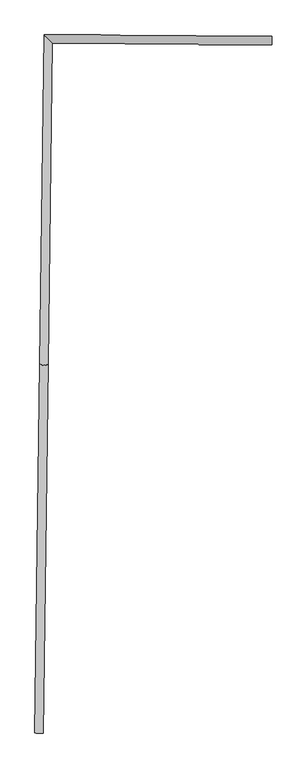
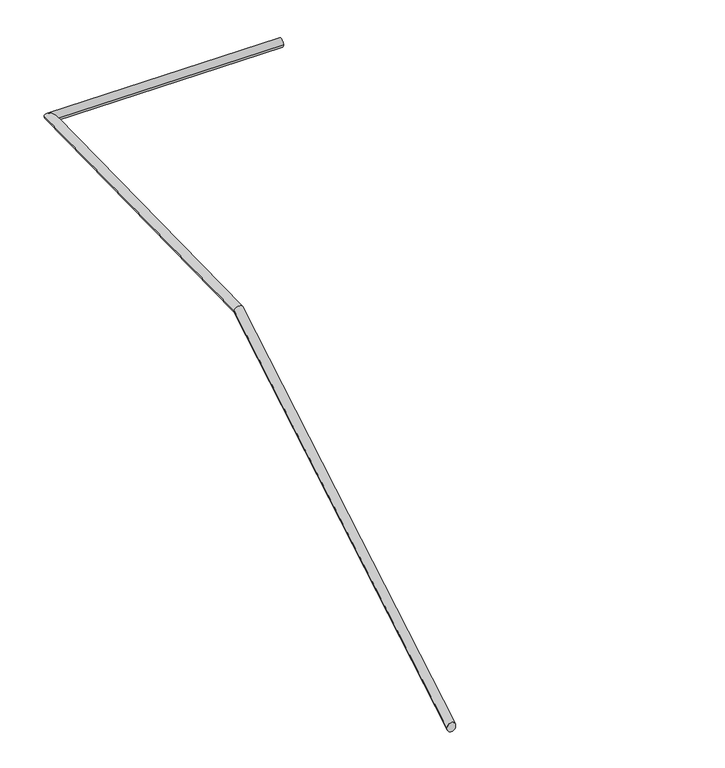
"""IFC4 building model written with IfcOpenShell, lengths in millimetres: railing geometry."""

from ifc_helpers import new_model, si_unit, frame, origin, place, context, project, spatial, circle_curve, ellipse_curve, source, transform, mapped, element, save
from ifc_brep_helpers import plane_surface, cylinder_surface, advanced_brep


def railing_92a107e3(model_context):
    return source(origin(), model_context, "Body", "AdvancedBrep", [
        advanced_brep(
        [(-2340.6816172, -38696.8547301, -5327.5735657), (-2380.6781828, -38696.330571, -5327.5735657), (-2317.5932496, -36935.0700521, -4344.0), (-2357.5898151, -36934.545893, -4344.0), (-2297.5179722, -35403.2027242, -4344.0), (-2336.9935874, -35362.9268402, -4344.0), (-1247.6814085, -35410.5139416, -4344.0), (-1247.4028493, -35370.5149115, -4344.0)],
        [
            (0, 1, ellipse_curve(frame((-2360.6799, -38696.5926506, -5327.5735657), z_axis=(-0.013103976640703662, -0.9999141392120625, 0.0), x_axis=(0.0, 0.0, -0.9999999999999999)), 22.9052469, 20.0)),
            (1, 0, ellipse_curve(frame((-2360.6799, -38696.5926506, -5327.5735657), z_axis=(-0.013103976640703662, -0.9999141392120625, 0.0), x_axis=(0.0, 0.0, -0.9999999999999999)), 22.9052469, 20.0)),
            (0, 2),
            (2, 3, ellipse_curve(frame((-2337.5915324, -36934.8079726, -4344.0), z_axis=(-0.012681651854865247, -0.9676881564987052, -0.2518309104902926), x_axis=(0.003299986368472015, 0.25180928808989206, -0.9677712501007817)), 20.6660407, 20.0)),
            (3, 1),
            (3, 2, ellipse_curve(frame((-2337.5915324, -36934.8079726, -4344.0), z_axis=(-0.012681651854865247, -0.9676881564987052, -0.2518309104902926), x_axis=(0.003299986368472015, 0.25180928808989206, -0.9677712501007817)), 20.6660407, 20.0)),
            (2, 4),
            (4, 5, ellipse_curve(frame((-2317.2557798, -35383.0647822, -4344.0), z_axis=(-0.7141663112514558, -0.6999760566430031, 0.0), x_axis=(0.6999760566430031, -0.7141663112514558, 0.0)), 28.1978325, 20.0)),
            (5, 3),
            (5, 4, ellipse_curve(frame((-2317.2557798, -35383.0647822, -4344.0), z_axis=(-0.7141663112514558, -0.6999760566430031, 0.0), x_axis=(0.6999760566430031, -0.7141663112514558, 0.0)), 28.1978325, 20.0)),
            (6, 7, circle_curve(frame((-1247.5421289, -35390.5144266, -4344.0), z_axis=(0.9999757512021473, -0.006963979300749397, 0.0), x_axis=(0.006963979300749397, 0.9999757512021473, 0.0)), 20.0)),
            (7, 6, circle_curve(frame((-1247.5421289, -35390.5144266, -4344.0), z_axis=(0.9999757512021473, -0.006963979300749397, 0.0), x_axis=(0.006963979300749397, 0.9999757512021473, 0.0)), 20.0)),
            (4, 6),
            (7, 5),
        ],
        [
            plane_surface(frame((-2360.6799, -38696.5926506, -5327.5735657), z_axis=(-0.013103976640703662, -0.9999141392120625, 0.0), x_axis=(0.9999141392120625, -0.013103976640703662, 0.0))),
            cylinder_surface(frame((-2360.6799, -38696.5926506, -5327.5735657), z_axis=(-0.011441899497147981, -0.8730874146328833, -0.4874294301184173), x_axis=(-0.9999141392120625, 0.01310397664070366, 0.0)), 20.0),
            cylinder_surface(frame((-2337.5915324, -36934.8079726, -4344.0), z_axis=(-0.013103976640703697, -0.9999141392120625, 0.0), x_axis=(-0.9999141392120625, 0.013103976640703697, 0.0)), 20.0),
            plane_surface(frame((-1247.5421289, -35390.5144266, -4344.0), z_axis=(0.9999757512021473, -0.006963979300749431, 0.0), x_axis=(0.006963979300749431, 0.9999757512021473, 0.0))),
            cylinder_surface(frame((-2317.2557798, -35383.0647822, -4344.0), z_axis=(-0.9999757512021473, 0.006963979300749397, 0.0), x_axis=(0.006963979300749397, 0.9999757512021473, 0.0)), 20.0),
        ],
        [
            (0, [[1, 2]]),
            (1, [[-1, 3, 4, 5]]),
            (1, [[-2, -5, 6, -3]]),
            (2, [[-4, 7, 8, 9]]),
            (2, [[-6, -9, 10, -7]]),
            (3, [[11, 12]]),
            (4, [[-8, 13, -12, 14]]),
            (4, [[-10, -14, -11, -13]]),
        ],
    ),
    ])


if __name__ == "__main__":
    model = new_model("IFC4")
    model_context = context("Model", 3, world=origin())
    ifc_project = project(units=[si_unit("LENGTHUNIT", "METRE", prefix="MILLI")], contexts=[model_context])
    site = spatial("IfcSite", under=ifc_project)
    building = spatial("IfcBuilding", under=site)
    placement = place(None, origin())
    railing_shape = railing_92a107e3(model_context)
    element("IfcRailing", 1, at=placement, inside=building, context=model_context, shape_type="MappedRepresentation", body=[
        mapped(railing_shape, transform((0.0, 0.0, 0.0), x_axis=(1.0, 0.0, 0.0), y_axis=(0.0, 1.0, 0.0), z_axis=(0.0, 0.0, 1.0))),
    ])
    save(model, "model.ifc")
